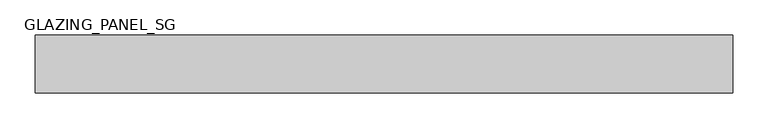
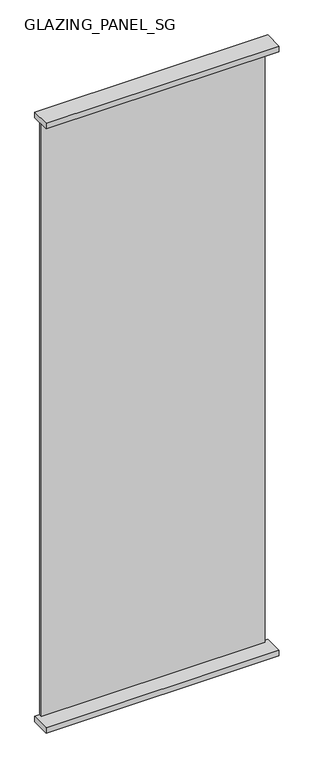
"""IFC4 building model written with IfcOpenShell, lengths in millimetres: plate geometry, GLAZING_PANEL_SG."""

from ifc_helpers import new_model, si_unit, frame, origin, origin_with_axes, place, context, project, spatial, polyline, outline, extrude, source, transform, mapped, element, save


def glazing_panel_sg_7a04e0f0(model_context):
    return source(origin(), model_context, "Body", "SweptSolid", [
        extrude(outline(polyline([(478.5, 39.5), (478.5, 29.5), (-478.5, 29.5), (-478.5, 39.5), (478.5, 39.5)])), frame((0.0, 0.0, 12.0), z_axis=(0.0, 0.0, 1.0), x_axis=(1.0, 0.0, 0.0)), (0.0, 0.0, 1.0), 2730.0),
        extrude(outline(polyline([(498.5, -41.5), (-498.5, -41.5), (-498.5, 41.5), (498.5, 41.5), (498.5, -41.5)])), frame((0.0, 0.0, 2730.0), z_axis=(0.0, 0.0, 1.0), x_axis=(1.0, 0.0, 0.0)), (0.0, 0.0, 1.0), 25.0),
        extrude(outline(polyline([(498.5, 41.5), (498.5, -41.5), (-498.5, -41.5), (-498.5, 41.5), (498.5, 41.5)])), origin_with_axes(), (0.0, 0.0, 1.0), 25.0),
    ])


if __name__ == "__main__":
    model = new_model("IFC4")
    model_context = context("Model", 3, world=origin())
    ifc_project = project(units=[si_unit("LENGTHUNIT", "METRE", prefix="MILLI")], contexts=[model_context])
    site = spatial("IfcSite", under=ifc_project)
    building = spatial("IfcBuilding", under=site)
    placement = place(None, origin())
    glazing_panel_sg_shape = glazing_panel_sg_7a04e0f0(model_context)
    element("IfcPlate", 1, ObjectType="GLAZING_PANEL_SG", at=placement, inside=building, context=model_context, shape_type="MappedRepresentation", body=[
        mapped(glazing_panel_sg_shape, transform((0.0, 0.0, 0.0), x_axis=(1.0, 0.0, 0.0), y_axis=(0.0, 1.0, 0.0), z_axis=(0.0, 0.0, 1.0))),
    ])
    save(model, "model.ifc")
